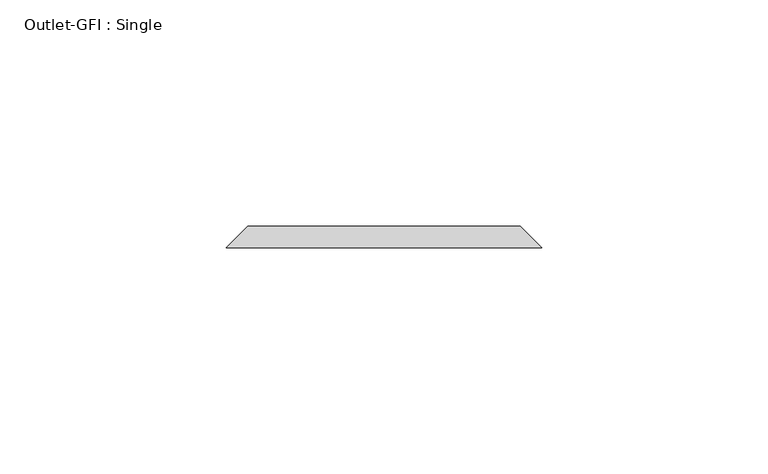
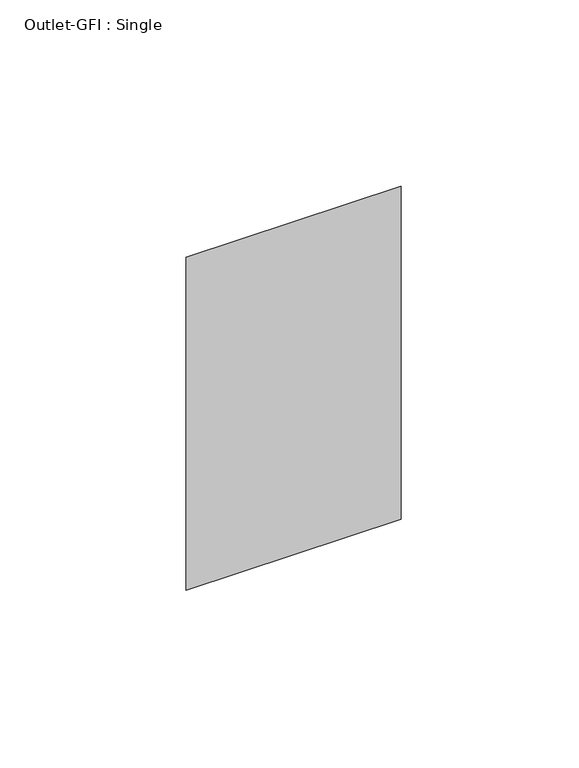
"""IFC4 building model written with IfcOpenShell, lengths in millimetres: proxy geometry, Outlet-GFI : Single."""

from ifc_helpers import new_model, si_unit, origin, place, context, project, spatial, faceted_brep, source, transform, mapped, element, save


def outlet_gfi_single_cfc77222(model_context):
    return source(origin(), model_context, "Body", "Brep", [
        faceted_brep([(-30.1625, 74.6125, 1271.5875), (30.1625, 74.6125, 1271.5875), (30.1625, 74.6125, 1166.8125), (-30.1625, 74.6125, 1166.8125), (-34.925, 69.85, 1276.35), (-34.925, 69.85, 1162.05), (34.925, 69.85, 1162.05), (34.925, 69.85, 1276.35)], [[[0, 1, 2, 3]], [[4, 5, 6, 7]], [[4, 7, 1, 0]], [[7, 6, 2, 1]], [[6, 5, 3, 2]], [[5, 4, 0, 3]]]),
    ])


if __name__ == "__main__":
    model = new_model("IFC4")
    model_context = context("Model", 3, world=origin())
    ifc_project = project(units=[si_unit("LENGTHUNIT", "METRE", prefix="MILLI")], contexts=[model_context])
    site = spatial("IfcSite", under=ifc_project)
    building = spatial("IfcBuilding", under=site)
    placement = place(None, origin())
    outlet_gfi_single_shape = outlet_gfi_single_cfc77222(model_context)
    element("IfcBuildingElementProxy", 1, Name="Outlet-GFI : Single", ObjectType="Outlet-GFI : Single", at=placement, inside=building, context=model_context, shape_type="MappedRepresentation", body=[
        mapped(outlet_gfi_single_shape, transform((0.0, 0.0, 0.0), x_axis=(1.0, 0.0, 0.0), y_axis=(0.0, 1.0, 0.0), z_axis=(0.0, 0.0, 1.0))),
    ])
    save(model, "model.ifc")
